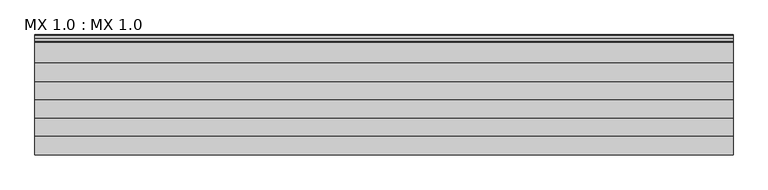
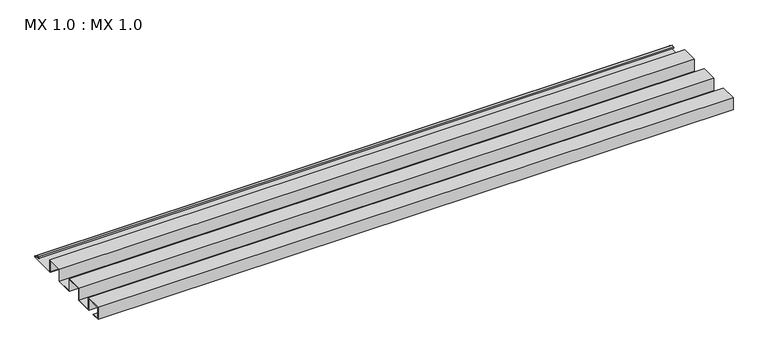
"""IFC4 building model written with IfcOpenShell, lengths in millimetres: proxy geometry, MX 1.0 : MX 1.0."""

from ifc_helpers import new_model, si_unit, point, frame, frame_2d, origin, place, context, project, spatial, polyline, circle_curve, trimmed, segment, composite_curve, outline, extrude, source, transform, mapped, element, save


def mx_1_0_mx_1_0_f6772247(model_context):
    return source(origin(), model_context, "Body", "SweptSolid", [
        extrude(outline(composite_curve([segment(polyline([(0.0, 0.0), (0.0, 38.0), (50.0, 38.0), (50.0, 0.0), (100.0, 0.0), (100.0, 38.0), (150.0, 38.0), (150.0, 0.0), (200.0, 0.0), (200.0, 38.0), (250.0, 38.0), (250.0, 0.0), (325.0510156, 0.0)]), True, "CONTINUOUS"), segment(trimmed(circle_curve(frame_2d((324.3094696, 1.9153551)), 2.0538928), [point((325.0510156, 0.0))], [point((325.1748462, 3.778041))], True, "CARTESIAN"), True, "CONTINUOUS"), segment(polyline([(325.1748462, 3.778041), (308.7874714, 6.923107)]), True, "CONTINUOUS"), segment(trimmed(circle_curve(frame_2d((309.4078886, 8.6005442)), 1.7884947), [point((308.7874714, 6.923107))], [point((308.9525789, 10.3301125))], False, "CARTESIAN"), True, "CONTINUOUS"), segment(polyline([(308.9525789, 10.3301125), (316.459338, 11.6715995), (316.635255, 10.6871945), (309.1762081, 9.3542338)]), True, "CONTINUOUS"), segment(trimmed(circle_curve(frame_2d((309.4078886, 8.6005442)), 0.7884947), [point((309.1762081, 9.3542338))], [point((309.0735117, 7.8864603))], True, "CARTESIAN"), True, "CONTINUOUS"), segment(polyline([(309.0735117, 7.8864603), (325.4722719, 4.7392091)]), True, "CONTINUOUS"), segment(trimmed(circle_curve(frame_2d((324.3094696, 1.9153551)), 3.0538928), [point((325.4722719, 4.7392091))], [point((325.2188462, -1.0))], False, "CARTESIAN"), True, "CONTINUOUS"), segment(polyline([(325.2188462, -1.0), (249.0, -1.0), (249.0, 37.0), (201.0, 37.0), (201.0, -1.0), (149.0, -1.0), (149.0, 37.0), (101.0, 37.0), (101.0, -1.0), (49.0, -1.0), (49.0, 37.0), (1.0, 37.0), (1.0, 1.0), (25.0, 1.0), (25.0, 0.0), (0.0, 0.0)]), True, "CONTINUOUS")], self_intersect=False)), frame((0.0, 0.0, 0.0), z_axis=(1.0, 0.0, 0.0), x_axis=(0.0, 1.0, 0.0)), (0.0, 0.0, 1.0), 1900.0),
    ])


if __name__ == "__main__":
    model = new_model("IFC4")
    model_context = context("Model", 3, world=origin())
    ifc_project = project(units=[si_unit("LENGTHUNIT", "METRE", prefix="MILLI")], contexts=[model_context])
    site = spatial("IfcSite", under=ifc_project)
    building = spatial("IfcBuilding", under=site)
    placement = place(None, origin())
    mx_1_0_mx_1_0_shape = mx_1_0_mx_1_0_f6772247(model_context)
    element("IfcBuildingElementProxy", 1, Name="MX 1.0 : MX 1.0", ObjectType="MX 1.0 : MX 1.0", at=placement, inside=building, context=model_context, shape_type="MappedRepresentation", body=[
        mapped(mx_1_0_mx_1_0_shape, transform((0.0, 0.0, 0.0), x_axis=(1.0, 0.0, 0.0), y_axis=(0.0, 1.0, 0.0), z_axis=(0.0, 0.0, 1.0))),
    ])
    save(model, "model.ifc")
